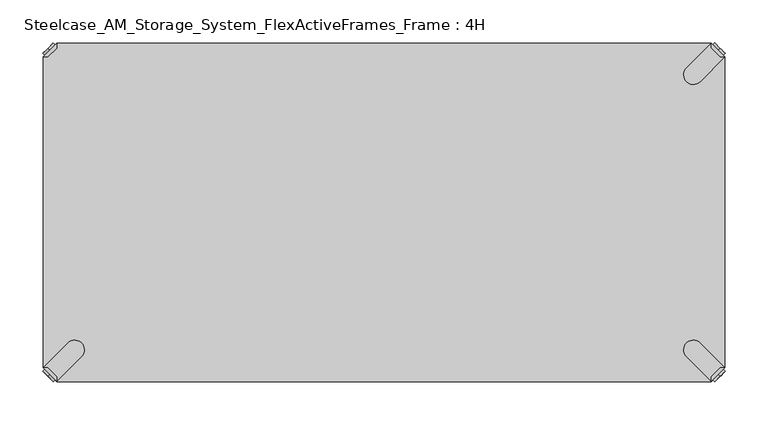
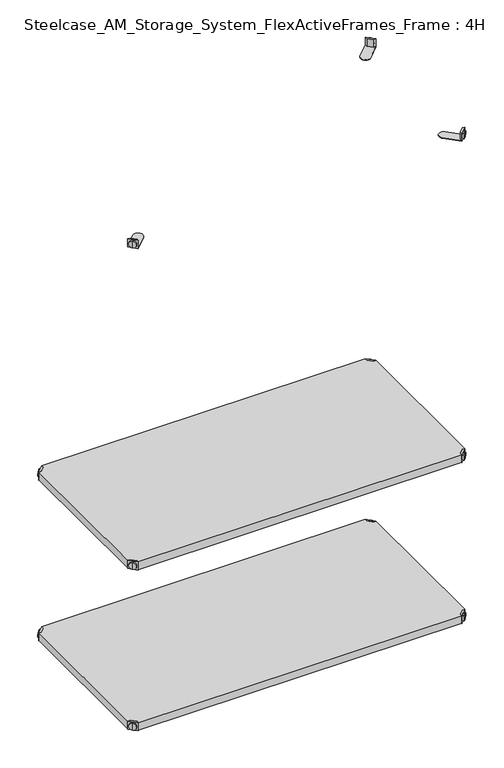
"""IFC4 building model written with IfcOpenShell, lengths in millimetres: furniture geometry, Steelcase_AM_Storage_System_FlexActiveFrames_Frame : 4H."""

from ifc_helpers import new_model, si_unit, frame, origin, place, context, project, spatial, polyline, circle_curve, outline, extrude, source, transform, mapped, element, save
from ifc_brep_helpers import plane_surface, cylinder_surface, advanced_brep


def steelcase_am_storage_system_flexactiveframes_frame_4h_aeea1913(model_context):
    return source(origin(), model_context, "Body", "SolidModel", [
        advanced_brep(
        [(789.0398449, -10.9601551, 498.5), (789.0398449, -10.9601551, 507.0), (789.0398449, -10.9601551, 515.5), (791.1611652, -8.8388348, 498.5), (791.1611652, -8.8388348, 515.5), (791.1611652, -8.8388348, 507.0)],
        [
            (0, 1),
            (1, 2),
            (2, 0, circle_curve(frame((789.0398449, -10.9601551, 507.0), z_axis=(-0.7071067811865556, -0.7071067811865395, 0.0), x_axis=(0.0, 0.0, 1.0)), 8.5)),
            (0, 2, circle_curve(frame((789.0398449, -10.9601551, 507.0), z_axis=(-0.7071067811865556, -0.7071067811865395, 0.0), x_axis=(0.0, 0.0, 1.0)), 8.5)),
            (3, 0),
            (2, 4),
            (4, 3, circle_curve(frame((791.1611652, -8.8388348, 507.0), z_axis=(-0.7071067811865556, -0.7071067811865395, 0.0), x_axis=(0.0, 0.0, 1.0)), 8.5)),
            (3, 4, circle_curve(frame((791.1611652, -8.8388348, 507.0), z_axis=(-0.7071067811865556, -0.7071067811865395, 0.0), x_axis=(0.0, 0.0, 1.0)), 8.5)),
            (5, 3),
            (4, 5),
        ],
        [
            plane_surface(frame((789.0398449, -10.9601551, 507.0), z_axis=(-0.7071067811865552, -0.7071067811865399, 0.0), x_axis=(0.0, 0.0, 1.0))),
            cylinder_surface(frame((791.1611652, -8.8388348, 507.0), z_axis=(0.7071067811865556, 0.7071067811865395, 0.0), x_axis=(0.0, 0.0, 1.0)), 8.5),
            plane_surface(frame((791.1611652, -8.8388348, 507.0), z_axis=(0.7071067811865552, 0.7071067811865399, 0.0), x_axis=(0.0, 0.0, 1.0))),
        ],
        [
            (0, [[1, 2, 3]]),
            (0, [[-2, -1, 4]]),
            (1, [[5, -3, 6, 7]]),
            (1, [[-6, -4, -5, 8]]),
            (2, [[9, -7, 10]]),
            (2, [[-10, -8, -9]]),
        ],
    ),
        advanced_brep(
        [(781.0796898, -3.0, 517.0), (781.0796898, -8.6568542, 517.0), (791.3431458, -18.9203102, 517.0), (797.0, -18.9203102, 517.0), (797.0, -18.9203102, 498.0), (797.0, -18.9203102, 497.0), (781.0796898, -3.0, 497.0), (781.0796898, -3.0, 498.0), (781.0796898, -8.6568542, 498.0), (791.3431458, -18.9203102, 498.0), (752.2702923, -31.8093975, 498.0), (768.1906025, -47.7297077, 498.0), (768.1906025, -47.7297077, 497.0), (752.2702923, -31.8093975, 497.0)],
        [
            (0, 1),
            (1, 2),
            (2, 3),
            (3, 0),
            (3, 4),
            (4, 5),
            (5, 6),
            (6, 7),
            (7, 0),
            (1, 8),
            (8, 9),
            (9, 2),
            (7, 8),
            (9, 4),
            (7, 10),
            (10, 11, circle_curve(frame((760.2304474, -39.7695526, 498.0), z_axis=(0.0, 0.0, 1.0), x_axis=(-1.0, 0.0, 0.0)), 11.2573593)),
            (11, 4),
            (5, 12),
            (12, 13, circle_curve(frame((760.2304474, -39.7695526, 497.0), z_axis=(0.0, 0.0, -1.0), x_axis=(-1.0, 0.0, 0.0)), 11.2573593)),
            (13, 6),
            (11, 12),
            (10, 13),
        ],
        [
            plane_surface(frame((838.8756299, -60.7959401, 517.0), z_axis=(0.0, 0.0, 1.0000000000000002), x_axis=(0.7071067811865465, -0.7071067811865487, 0.0))),
            plane_surface(frame((781.0796898, -3.0, 517.0), z_axis=(0.7071067811865487, 0.7071067811865465, 0.0), x_axis=(0.0, 0.0, -1.0))),
            plane_surface(frame((791.3431458, -18.9203102, 517.0), z_axis=(-0.7071067811865573, -0.7071067811865377, 0.0), x_axis=(0.0, 0.0, -1.0))),
            plane_surface(frame((781.0796898, -8.6568542, 517.0), z_axis=(-1.0, 0.0, 0.0), x_axis=(0.0, 0.0, -1.0))),
            plane_surface(frame((797.0, -18.9203102, 517.0), z_axis=(0.0, -1.0, 0.0), x_axis=(0.0, 0.0, -1.0))),
            plane_surface(frame((797.0, -18.9203102, 498.0), z_axis=(0.0, 0.0, 1.0), x_axis=(0.7071067811865392, -0.7071067811865558, 0.0))),
            plane_surface(frame((797.0, -18.9203102, 497.0), z_axis=(0.0, 0.0, -1.0), x_axis=(-0.7071067811865392, 0.7071067811865558, 0.0))),
            plane_surface(frame((797.0, -18.9203102, 498.0), z_axis=(0.7071067811865399, -0.7071067811865552, 0.0), x_axis=(0.0, 0.0, -1.0))),
            cylinder_surface(frame((760.2304474, -39.7695526, 497.0), z_axis=(0.0, 0.0, 1.0), x_axis=(-1.0, 0.0, 0.0)), 11.2573593),
            plane_surface(frame((752.2702923, -31.8093975, 498.0), z_axis=(-0.7071067811865388, 0.7071067811865563, 0.0), x_axis=(0.0, 0.0, -1.0))),
        ],
        [
            (0, [[1, 2, 3, 4]]),
            (1, [[5, 6, 7, 8, 9, -4]]),
            (2, [[10, 11, 12, -2]]),
            (3, [[-9, 13, -10, -1]]),
            (4, [[-12, 14, -5, -3]]),
            (5, [[-14, -11, -13, 15, 16, 17]]),
            (6, [[-7, 18, 19, 20]]),
            (7, [[21, -18, -6, -17]]),
            (8, [[22, -19, -21, -16]]),
            (9, [[-8, -20, -22, -15]]),
        ],
    ),
        advanced_brep(
        [(789.0398449, -389.0398449, 498.5), (789.0398449, -389.0398449, 515.5), (789.0398449, -389.0398449, 507.0), (791.1611652, -391.1611652, 498.5), (791.1611652, -391.1611652, 515.5), (791.1611652, -391.1611652, 507.0)],
        [
            (0, 1, circle_curve(frame((789.0398449, -389.0398449, 507.0), z_axis=(-0.7071067811865509, 0.7071067811865441, 0.0), x_axis=(0.0, 0.0, 1.0)), 8.5)),
            (1, 2),
            (2, 0),
            (1, 0, circle_curve(frame((789.0398449, -389.0398449, 507.0), z_axis=(-0.7071067811865509, 0.7071067811865441, 0.0), x_axis=(0.0, 0.0, 1.0)), 8.5)),
            (3, 4, circle_curve(frame((791.1611652, -391.1611652, 507.0), z_axis=(-0.7071067811865509, 0.7071067811865441, 0.0), x_axis=(0.0, 0.0, 1.0)), 8.5)),
            (4, 1),
            (0, 3),
            (4, 3, circle_curve(frame((791.1611652, -391.1611652, 507.0), z_axis=(-0.7071067811865509, 0.7071067811865441, 0.0), x_axis=(0.0, 0.0, 1.0)), 8.5)),
            (5, 4),
            (3, 5),
        ],
        [
            plane_surface(frame((789.0398449, -389.0398449, 507.0), z_axis=(-0.7071067811865506, 0.7071067811865446, 0.0), x_axis=(0.0, 0.0, 1.0))),
            cylinder_surface(frame((791.1611652, -391.1611652, 507.0), z_axis=(0.7071067811865509, -0.7071067811865441, 0.0), x_axis=(0.0, 0.0, 1.0)), 8.5),
            plane_surface(frame((791.1611652, -391.1611652, 507.0), z_axis=(0.7071067811865506, -0.7071067811865446, 0.0), x_axis=(0.0, 0.0, 1.0))),
        ],
        [
            (0, [[1, 2, 3]]),
            (0, [[4, -3, -2]]),
            (1, [[5, 6, -1, 7]]),
            (1, [[8, -7, -4, -6]]),
            (2, [[9, -5, 10]]),
            (2, [[-10, -8, -9]]),
        ],
    ),
        advanced_brep(
        [(781.0796898, -397.0, 517.0), (797.0, -381.0796898, 517.0), (791.3431458, -381.0796898, 517.0), (781.0796898, -391.3431458, 517.0), (781.0796898, -397.0, 498.0), (781.0796898, -397.0, 497.0), (797.0, -381.0796898, 497.0), (797.0, -381.0796898, 498.0), (791.3431458, -381.0796898, 498.0), (781.0796898, -391.3431458, 498.0), (768.1906025, -352.2702923, 498.0), (752.2702923, -368.1906025, 498.0), (752.2702923, -368.1906025, 497.0), (768.1906025, -352.2702923, 497.0)],
        [
            (0, 1),
            (1, 2),
            (2, 3),
            (3, 0),
            (0, 4),
            (4, 5),
            (5, 6),
            (6, 7),
            (7, 1),
            (2, 8),
            (8, 9),
            (9, 3),
            (9, 4),
            (7, 8),
            (7, 10),
            (10, 11, circle_curve(frame((760.2304474, -360.2304474, 498.0), z_axis=(0.0, 0.0, 1.0), x_axis=(-1.0, 0.0, 0.0)), 11.2573593)),
            (11, 4),
            (5, 12),
            (12, 13, circle_curve(frame((760.2304474, -360.2304474, 497.0), z_axis=(0.0, 0.0, -1.0), x_axis=(-1.0, 0.0, 0.0)), 11.2573593)),
            (13, 6),
            (13, 10),
            (12, 11),
        ],
        [
            plane_surface(frame((838.8756299, -339.2040599, 517.0), z_axis=(0.0, 0.0, 1.0000000000000002), x_axis=(0.7071067811865511, 0.707106781186544, 0.0))),
            plane_surface(frame((781.0796898, -397.0, 517.0), z_axis=(0.707106781186544, -0.7071067811865511, 0.0), x_axis=(0.0, 0.0, -1.0))),
            plane_surface(frame((791.3431458, -381.0796898, 517.0), z_axis=(-0.7071067811865527, 0.7071067811865424, 0.0), x_axis=(0.0, 0.0, -1.0))),
            plane_surface(frame((781.0796898, -391.3431458, 517.0), z_axis=(-1.0, 0.0, 0.0), x_axis=(0.0, 0.0, -1.0))),
            plane_surface(frame((797.0, -381.0796898, 517.0), z_axis=(0.0, 1.0, 0.0), x_axis=(0.0, 0.0, -1.0))),
            plane_surface(frame((797.0, -381.0796898, 498.0), z_axis=(0.0, 0.0, 1.0), x_axis=(0.7071067811865439, 0.7071067811865511, 0.0))),
            plane_surface(frame((797.0, -381.0796898, 497.0), z_axis=(0.0, 0.0, -1.0), x_axis=(-0.7071067811865439, -0.7071067811865511, 0.0))),
            plane_surface(frame((797.0, -381.0796898, 498.0), z_axis=(0.7071067811865446, 0.7071067811865506, 0.0), x_axis=(0.0, 0.0, -1.0))),
            cylinder_surface(frame((760.2304474, -360.2304474, 497.0), z_axis=(0.0, 0.0, 1.0), x_axis=(-1.0, 0.0, 0.0)), 11.2573593),
            plane_surface(frame((752.2702923, -368.1906025, 498.0), z_axis=(-0.7071067811865435, -0.7071067811865517, 0.0), x_axis=(0.0, 0.0, -1.0))),
        ],
        [
            (0, [[1, 2, 3, 4]]),
            (1, [[-1, 5, 6, 7, 8, 9]]),
            (2, [[-3, 10, 11, 12]]),
            (3, [[-4, -12, 13, -5]]),
            (4, [[-2, -9, 14, -10]]),
            (5, [[15, 16, 17, -13, -11, -14]]),
            (6, [[18, 19, 20, -7]]),
            (7, [[-15, -8, -20, 21]]),
            (8, [[-16, -21, -19, 22]]),
            (9, [[-17, -22, -18, -6]]),
        ],
    ),
        advanced_brep(
        [(10.9601551, -389.0398449, 498.5), (10.9601551, -389.0398449, 507.0), (10.9601551, -389.0398449, 515.5), (8.8388348, -391.1611652, 498.5), (8.8388348, -391.1611652, 515.5), (8.8388348, -391.1611652, 507.0)],
        [
            (0, 1),
            (1, 2),
            (2, 0, circle_curve(frame((10.9601551, -389.0398449, 507.0), z_axis=(0.7071067811865509, 0.7071067811865441, 0.0), x_axis=(0.0, 0.0, 1.0)), 8.5)),
            (0, 2, circle_curve(frame((10.9601551, -389.0398449, 507.0), z_axis=(0.7071067811865509, 0.7071067811865441, 0.0), x_axis=(0.0, 0.0, 1.0)), 8.5)),
            (3, 0),
            (2, 4),
            (4, 3, circle_curve(frame((8.8388348, -391.1611652, 507.0), z_axis=(0.7071067811865509, 0.7071067811865441, 0.0), x_axis=(0.0, 0.0, 1.0)), 8.5)),
            (3, 4, circle_curve(frame((8.8388348, -391.1611652, 507.0), z_axis=(0.7071067811865509, 0.7071067811865441, 0.0), x_axis=(0.0, 0.0, 1.0)), 8.5)),
            (5, 3),
            (4, 5),
        ],
        [
            plane_surface(frame((10.9601551, -389.0398449, 507.0), z_axis=(0.7071067811865506, 0.7071067811865446, 0.0), x_axis=(0.0, 0.0, 1.0))),
            cylinder_surface(frame((8.8388348, -391.1611652, 507.0), z_axis=(-0.7071067811865509, -0.7071067811865441, 0.0), x_axis=(0.0, 0.0, 1.0)), 8.5),
            plane_surface(frame((8.8388348, -391.1611652, 507.0), z_axis=(-0.7071067811865506, -0.7071067811865446, 0.0), x_axis=(0.0, 0.0, 1.0))),
        ],
        [
            (0, [[1, 2, 3]]),
            (0, [[-2, -1, 4]]),
            (1, [[5, -3, 6, 7]]),
            (1, [[-6, -4, -5, 8]]),
            (2, [[9, -7, 10]]),
            (2, [[-10, -8, -9]]),
        ],
    ),
        advanced_brep(
        [(18.9203102, -397.0, 517.0), (18.9203102, -391.3431458, 517.0), (8.6568542, -381.0796898, 517.0), (3.0, -381.0796898, 517.0), (3.0, -381.0796898, 498.0), (3.0, -381.0796898, 497.0), (18.9203102, -397.0, 497.0), (18.9203102, -397.0, 498.0), (18.9203102, -391.3431458, 498.0), (8.6568542, -381.0796898, 498.0), (47.7297077, -368.1906025, 498.0), (31.8093975, -352.2702923, 498.0), (31.8093975, -352.2702923, 497.0), (47.7297077, -368.1906025, 497.0)],
        [
            (0, 1),
            (1, 2),
            (2, 3),
            (3, 0),
            (3, 4),
            (4, 5),
            (5, 6),
            (6, 7),
            (7, 0),
            (1, 8),
            (8, 9),
            (9, 2),
            (7, 8),
            (9, 4),
            (7, 10),
            (10, 11, circle_curve(frame((39.7695526, -360.2304474, 498.0), z_axis=(0.0, 0.0, 1.0), x_axis=(1.0, 0.0, 0.0)), 11.2573593)),
            (11, 4),
            (5, 12),
            (12, 13, circle_curve(frame((39.7695526, -360.2304474, 497.0), z_axis=(0.0, 0.0, -1.0), x_axis=(1.0, 0.0, 0.0)), 11.2573593)),
            (13, 6),
            (11, 12),
            (10, 13),
        ],
        [
            plane_surface(frame((-38.8756299, -339.2040599, 517.0), z_axis=(0.0, 0.0, 1.0000000000000002), x_axis=(-0.7071067811865511, 0.707106781186544, 0.0))),
            plane_surface(frame((18.9203102, -397.0, 517.0), z_axis=(-0.707106781186544, -0.7071067811865511, 0.0), x_axis=(0.0, 0.0, -1.0))),
            plane_surface(frame((8.6568542, -381.0796898, 517.0), z_axis=(0.7071067811865527, 0.7071067811865424, 0.0), x_axis=(0.0, 0.0, -1.0))),
            plane_surface(frame((18.9203102, -391.3431458, 517.0), z_axis=(1.0, 0.0, 0.0), x_axis=(0.0, 0.0, -1.0))),
            plane_surface(frame((3.0, -381.0796898, 517.0), z_axis=(0.0, 1.0, 0.0), x_axis=(0.0, 0.0, -1.0))),
            plane_surface(frame((3.0, -381.0796898, 498.0), z_axis=(0.0, 0.0, 1.0), x_axis=(-0.7071067811865439, 0.7071067811865511, 0.0))),
            plane_surface(frame((3.0, -381.0796898, 497.0), z_axis=(0.0, 0.0, -1.0), x_axis=(0.7071067811865439, -0.7071067811865511, 0.0))),
            plane_surface(frame((3.0, -381.0796898, 498.0), z_axis=(-0.7071067811865446, 0.7071067811865506, 0.0), x_axis=(0.0, 0.0, -1.0))),
            cylinder_surface(frame((39.7695526, -360.2304474, 497.0), z_axis=(0.0, 0.0, 1.0), x_axis=(1.0, 0.0, 0.0)), 11.2573593),
            plane_surface(frame((47.7297077, -368.1906025, 498.0), z_axis=(0.7071067811865435, -0.7071067811865517, 0.0), x_axis=(0.0, 0.0, -1.0))),
        ],
        [
            (0, [[1, 2, 3, 4]]),
            (1, [[5, 6, 7, 8, 9, -4]]),
            (2, [[10, 11, 12, -2]]),
            (3, [[-9, 13, -10, -1]]),
            (4, [[-12, 14, -5, -3]]),
            (5, [[-14, -11, -13, 15, 16, 17]]),
            (6, [[-7, 18, 19, 20]]),
            (7, [[21, -18, -6, -17]]),
            (8, [[22, -19, -21, -16]]),
            (9, [[-8, -20, -22, -15]]),
        ],
    ),
        advanced_brep(
        [(10.9601551, -10.9601551, 498.5), (10.9601551, -10.9601551, 515.5), (10.9601551, -10.9601551, 507.0), (8.8388348, -8.8388348, 498.5), (8.8388348, -8.8388348, 515.5), (8.8388348, -8.8388348, 507.0)],
        [
            (0, 1, circle_curve(frame((10.9601551, -10.9601551, 507.0), z_axis=(0.7071067811865464, -0.7071067811865487, 0.0), x_axis=(0.0, 0.0, 1.0)), 8.5)),
            (1, 2),
            (2, 0),
            (1, 0, circle_curve(frame((10.9601551, -10.9601551, 507.0), z_axis=(0.7071067811865464, -0.7071067811865487, 0.0), x_axis=(0.0, 0.0, 1.0)), 8.5)),
            (3, 4, circle_curve(frame((8.8388348, -8.8388348, 507.0), z_axis=(0.7071067811865464, -0.7071067811865487, 0.0), x_axis=(0.0, 0.0, 1.0)), 8.5)),
            (4, 1),
            (0, 3),
            (4, 3, circle_curve(frame((8.8388348, -8.8388348, 507.0), z_axis=(0.7071067811865464, -0.7071067811865487, 0.0), x_axis=(0.0, 0.0, 1.0)), 8.5)),
            (5, 4),
            (3, 5),
        ],
        [
            plane_surface(frame((10.9601551, -10.9601551, 507.0), z_axis=(0.707106781186546, -0.7071067811865491, 0.0), x_axis=(0.0, 0.0, 1.0))),
            cylinder_surface(frame((8.8388348, -8.8388348, 507.0), z_axis=(-0.7071067811865464, 0.7071067811865487, 0.0), x_axis=(0.0, 0.0, 1.0)), 8.5),
            plane_surface(frame((8.8388348, -8.8388348, 507.0), z_axis=(-0.707106781186546, 0.7071067811865491, 0.0), x_axis=(0.0, 0.0, 1.0))),
        ],
        [
            (0, [[1, 2, 3]]),
            (0, [[4, -3, -2]]),
            (1, [[5, 6, -1, 7]]),
            (1, [[8, -7, -4, -6]]),
            (2, [[9, -5, 10]]),
            (2, [[-10, -8, -9]]),
        ],
    ),
        advanced_brep(
        [(18.9203102, -3.0, 517.0), (3.0, -18.9203102, 517.0), (8.6568542, -18.9203102, 517.0), (18.9203102, -8.6568542, 517.0), (18.9203102, -3.0, 498.0), (18.9203102, -3.0, 497.0), (3.0, -18.9203102, 497.0), (3.0, -18.9203102, 498.0), (8.6568542, -18.9203102, 498.0), (18.9203102, -8.6568542, 498.0), (31.8093975, -47.7297077, 498.0), (47.7297077, -31.8093975, 498.0), (47.7297077, -31.8093975, 497.0), (31.8093975, -47.7297077, 497.0)],
        [
            (0, 1),
            (1, 2),
            (2, 3),
            (3, 0),
            (0, 4),
            (4, 5),
            (5, 6),
            (6, 7),
            (7, 1),
            (2, 8),
            (8, 9),
            (9, 3),
            (9, 4),
            (7, 8),
            (7, 10),
            (10, 11, circle_curve(frame((39.7695526, -39.7695526, 498.0), z_axis=(0.0, 0.0, 1.0), x_axis=(1.0, 0.0, 0.0)), 11.2573593)),
            (11, 4),
            (5, 12),
            (12, 13, circle_curve(frame((39.7695526, -39.7695526, 497.0), z_axis=(0.0, 0.0, -1.0), x_axis=(1.0, 0.0, 0.0)), 11.2573593)),
            (13, 6),
            (13, 10),
            (12, 11),
        ],
        [
            plane_surface(frame((-38.8756299, -60.7959401, 517.0), z_axis=(0.0, 0.0, 1.0000000000000002), x_axis=(-0.7071067811865557, -0.7071067811865395, 0.0))),
            plane_surface(frame((18.9203102, -3.0, 517.0), z_axis=(-0.7071067811865395, 0.7071067811865557, 0.0), x_axis=(0.0, 0.0, -1.0))),
            plane_surface(frame((8.6568542, -18.9203102, 517.0), z_axis=(0.7071067811865481, -0.7071067811865469, 0.0), x_axis=(0.0, 0.0, -1.0))),
            plane_surface(frame((18.9203102, -8.6568542, 517.0), z_axis=(1.0, 0.0, 0.0), x_axis=(0.0, 0.0, -1.0))),
            plane_surface(frame((3.0, -18.9203102, 517.0), z_axis=(0.0, -1.0, 0.0), x_axis=(0.0, 0.0, -1.0))),
            plane_surface(frame((3.0, -18.9203102, 498.0), z_axis=(0.0, 0.0, 1.0), x_axis=(-0.7071067811865485, -0.7071067811865466, 0.0))),
            plane_surface(frame((3.0, -18.9203102, 497.0), z_axis=(0.0, 0.0, -1.0), x_axis=(0.7071067811865485, 0.7071067811865466, 0.0))),
            plane_surface(frame((3.0, -18.9203102, 498.0), z_axis=(-0.7071067811865491, -0.707106781186546, 0.0), x_axis=(0.0, 0.0, -1.0))),
            cylinder_surface(frame((39.7695526, -39.7695526, 497.0), z_axis=(0.0, 0.0, 1.0), x_axis=(1.0, 0.0, 0.0)), 11.2573593),
            plane_surface(frame((47.7297077, -31.8093975, 498.0), z_axis=(0.707106781186548, 0.7071067811865471, 0.0), x_axis=(0.0, 0.0, -1.0))),
        ],
        [
            (0, [[1, 2, 3, 4]]),
            (1, [[-1, 5, 6, 7, 8, 9]]),
            (2, [[-3, 10, 11, 12]]),
            (3, [[-4, -12, 13, -5]]),
            (4, [[-2, -9, 14, -10]]),
            (5, [[15, 16, 17, -13, -11, -14]]),
            (6, [[18, 19, 20, -7]]),
            (7, [[-15, -8, -20, 21]]),
            (8, [[-16, -21, -19, 22]]),
            (9, [[-17, -22, -18, -6]]),
        ],
    ),
        extrude(outline(polyline([(781.0796898, -3.0), (781.0796898, -8.6568542), (791.3431458, -18.9203102), (797.0, -18.9203102), (797.0, -381.0796898), (791.3431458, -381.0796898), (781.0796898, -391.3431458), (781.0796898, -397.0), (18.9203102, -397.0), (18.9203102, -391.3431458), (8.6568542, -381.0796898), (3.0, -381.0796898), (3.0, -18.9203102), (8.6568542, -18.9203102), (18.9203102, -8.6568542), (18.9203102, -3.0), (781.0796898, -3.0)])), frame((0.0, 0.0, 498.0), z_axis=(0.0, 0.0, 1.0), x_axis=(1.0, 0.0, 0.0)), (0.0, 0.0, 1.0), 19.0),
        advanced_brep(
        [(789.0398449, -10.9601551, 898.5), (789.0398449, -10.9601551, 907.0), (789.0398449, -10.9601551, 915.5), (791.1611652, -8.8388348, 898.5), (791.1611652, -8.8388348, 915.5), (791.1611652, -8.8388348, 907.0)],
        [
            (0, 1),
            (1, 2),
            (2, 0, circle_curve(frame((789.0398449, -10.9601551, 907.0), z_axis=(-0.7071067811865556, -0.7071067811865395, 0.0), x_axis=(0.0, 0.0, 1.0)), 8.5)),
            (0, 2, circle_curve(frame((789.0398449, -10.9601551, 907.0), z_axis=(-0.7071067811865556, -0.7071067811865395, 0.0), x_axis=(0.0, 0.0, 1.0)), 8.5)),
            (3, 0),
            (2, 4),
            (4, 3, circle_curve(frame((791.1611652, -8.8388348, 907.0), z_axis=(-0.7071067811865556, -0.7071067811865395, 0.0), x_axis=(0.0, 0.0, 1.0)), 8.5)),
            (3, 4, circle_curve(frame((791.1611652, -8.8388348, 907.0), z_axis=(-0.7071067811865556, -0.7071067811865395, 0.0), x_axis=(0.0, 0.0, 1.0)), 8.5)),
            (5, 3),
            (4, 5),
        ],
        [
            plane_surface(frame((789.0398449, -10.9601551, 907.0), z_axis=(-0.7071067811865552, -0.7071067811865399, 0.0), x_axis=(0.0, 0.0, 1.0))),
            cylinder_surface(frame((791.1611652, -8.8388348, 907.0), z_axis=(0.7071067811865556, 0.7071067811865395, 0.0), x_axis=(0.0, 0.0, 1.0)), 8.5),
            plane_surface(frame((791.1611652, -8.8388348, 907.0), z_axis=(0.7071067811865552, 0.7071067811865399, 0.0), x_axis=(0.0, 0.0, 1.0))),
        ],
        [
            (0, [[1, 2, 3]]),
            (0, [[-2, -1, 4]]),
            (1, [[5, -3, 6, 7]]),
            (1, [[-6, -4, -5, 8]]),
            (2, [[9, -7, 10]]),
            (2, [[-10, -8, -9]]),
        ],
    ),
        advanced_brep(
        [(781.0796898, -3.0, 917.0), (781.0796898, -8.6568542, 917.0), (791.3431458, -18.9203102, 917.0), (797.0, -18.9203102, 917.0), (797.0, -18.9203102, 898.0), (797.0, -18.9203102, 897.0), (781.0796898, -3.0, 897.0), (781.0796898, -3.0, 898.0), (781.0796898, -8.6568542, 898.0), (791.3431458, -18.9203102, 898.0), (752.2702923, -31.8093975, 898.0), (768.1906025, -47.7297077, 898.0), (768.1906025, -47.7297077, 897.0), (752.2702923, -31.8093975, 897.0)],
        [
            (0, 1),
            (1, 2),
            (2, 3),
            (3, 0),
            (3, 4),
            (4, 5),
            (5, 6),
            (6, 7),
            (7, 0),
            (1, 8),
            (8, 9),
            (9, 2),
            (7, 8),
            (9, 4),
            (7, 10),
            (10, 11, circle_curve(frame((760.2304474, -39.7695526, 898.0), z_axis=(0.0, 0.0, 1.0), x_axis=(-1.0, 0.0, 0.0)), 11.2573593)),
            (11, 4),
            (5, 12),
            (12, 13, circle_curve(frame((760.2304474, -39.7695526, 897.0), z_axis=(0.0, 0.0, -1.0), x_axis=(-1.0, 0.0, 0.0)), 11.2573593)),
            (13, 6),
            (11, 12),
            (10, 13),
        ],
        [
            plane_surface(frame((838.8756299, -60.7959401, 917.0), z_axis=(0.0, 0.0, 1.0000000000000002), x_axis=(0.7071067811865465, -0.7071067811865487, 0.0))),
            plane_surface(frame((781.0796898, -3.0, 917.0), z_axis=(0.7071067811865487, 0.7071067811865465, 0.0), x_axis=(0.0, 0.0, -1.0))),
            plane_surface(frame((791.3431458, -18.9203102, 917.0), z_axis=(-0.7071067811865573, -0.7071067811865377, 0.0), x_axis=(0.0, 0.0, -1.0))),
            plane_surface(frame((781.0796898, -8.6568542, 917.0), z_axis=(-1.0, 0.0, 0.0), x_axis=(0.0, 0.0, -1.0))),
            plane_surface(frame((797.0, -18.9203102, 917.0), z_axis=(0.0, -1.0, 0.0), x_axis=(0.0, 0.0, -1.0))),
            plane_surface(frame((797.0, -18.9203102, 898.0), z_axis=(0.0, 0.0, 1.0), x_axis=(0.7071067811865392, -0.7071067811865558, 0.0))),
            plane_surface(frame((797.0, -18.9203102, 897.0), z_axis=(0.0, 0.0, -1.0), x_axis=(-0.7071067811865392, 0.7071067811865558, 0.0))),
            plane_surface(frame((797.0, -18.9203102, 898.0), z_axis=(0.7071067811865399, -0.7071067811865552, 0.0), x_axis=(0.0, 0.0, -1.0))),
            cylinder_surface(frame((760.2304474, -39.7695526, 897.0), z_axis=(0.0, 0.0, 1.0), x_axis=(-1.0, 0.0, 0.0)), 11.2573593),
            plane_surface(frame((752.2702923, -31.8093975, 898.0), z_axis=(-0.7071067811865388, 0.7071067811865563, 0.0), x_axis=(0.0, 0.0, -1.0))),
        ],
        [
            (0, [[1, 2, 3, 4]]),
            (1, [[5, 6, 7, 8, 9, -4]]),
            (2, [[10, 11, 12, -2]]),
            (3, [[-9, 13, -10, -1]]),
            (4, [[-12, 14, -5, -3]]),
            (5, [[-14, -11, -13, 15, 16, 17]]),
            (6, [[-7, 18, 19, 20]]),
            (7, [[21, -18, -6, -17]]),
            (8, [[22, -19, -21, -16]]),
            (9, [[-8, -20, -22, -15]]),
        ],
    ),
        advanced_brep(
        [(789.0398449, -389.0398449, 898.5), (789.0398449, -389.0398449, 915.5), (789.0398449, -389.0398449, 907.0), (791.1611652, -391.1611652, 898.5), (791.1611652, -391.1611652, 915.5), (791.1611652, -391.1611652, 907.0)],
        [
            (0, 1, circle_curve(frame((789.0398449, -389.0398449, 907.0), z_axis=(-0.7071067811865509, 0.7071067811865441, 0.0), x_axis=(0.0, 0.0, 1.0)), 8.5)),
            (1, 2),
            (2, 0),
            (1, 0, circle_curve(frame((789.0398449, -389.0398449, 907.0), z_axis=(-0.7071067811865509, 0.7071067811865441, 0.0), x_axis=(0.0, 0.0, 1.0)), 8.5)),
            (3, 4, circle_curve(frame((791.1611652, -391.1611652, 907.0), z_axis=(-0.7071067811865509, 0.7071067811865441, 0.0), x_axis=(0.0, 0.0, 1.0)), 8.5)),
            (4, 1),
            (0, 3),
            (4, 3, circle_curve(frame((791.1611652, -391.1611652, 907.0), z_axis=(-0.7071067811865509, 0.7071067811865441, 0.0), x_axis=(0.0, 0.0, 1.0)), 8.5)),
            (5, 4),
            (3, 5),
        ],
        [
            plane_surface(frame((789.0398449, -389.0398449, 907.0), z_axis=(-0.7071067811865506, 0.7071067811865446, 0.0), x_axis=(0.0, 0.0, 1.0))),
            cylinder_surface(frame((791.1611652, -391.1611652, 907.0), z_axis=(0.7071067811865509, -0.7071067811865441, 0.0), x_axis=(0.0, 0.0, 1.0)), 8.5),
            plane_surface(frame((791.1611652, -391.1611652, 907.0), z_axis=(0.7071067811865506, -0.7071067811865446, 0.0), x_axis=(0.0, 0.0, 1.0))),
        ],
        [
            (0, [[1, 2, 3]]),
            (0, [[4, -3, -2]]),
            (1, [[5, 6, -1, 7]]),
            (1, [[8, -7, -4, -6]]),
            (2, [[9, -5, 10]]),
            (2, [[-10, -8, -9]]),
        ],
    ),
        advanced_brep(
        [(781.0796898, -397.0, 917.0), (797.0, -381.0796898, 917.0), (791.3431458, -381.0796898, 917.0), (781.0796898, -391.3431458, 917.0), (781.0796898, -397.0, 898.0), (781.0796898, -397.0, 897.0), (797.0, -381.0796898, 897.0), (797.0, -381.0796898, 898.0), (791.3431458, -381.0796898, 898.0), (781.0796898, -391.3431458, 898.0), (768.1906025, -352.2702923, 898.0), (752.2702923, -368.1906025, 898.0), (752.2702923, -368.1906025, 897.0), (768.1906025, -352.2702923, 897.0)],
        [
            (0, 1),
            (1, 2),
            (2, 3),
            (3, 0),
            (0, 4),
            (4, 5),
            (5, 6),
            (6, 7),
            (7, 1),
            (2, 8),
            (8, 9),
            (9, 3),
            (9, 4),
            (7, 8),
            (7, 10),
            (10, 11, circle_curve(frame((760.2304474, -360.2304474, 898.0), z_axis=(0.0, 0.0, 1.0), x_axis=(-1.0, 0.0, 0.0)), 11.2573593)),
            (11, 4),
            (5, 12),
            (12, 13, circle_curve(frame((760.2304474, -360.2304474, 897.0), z_axis=(0.0, 0.0, -1.0), x_axis=(-1.0, 0.0, 0.0)), 11.2573593)),
            (13, 6),
            (13, 10),
            (12, 11),
        ],
        [
            plane_surface(frame((838.8756299, -339.2040599, 917.0), z_axis=(0.0, 0.0, 1.0000000000000002), x_axis=(0.7071067811865511, 0.707106781186544, 0.0))),
            plane_surface(frame((781.0796898, -397.0, 917.0), z_axis=(0.707106781186544, -0.7071067811865511, 0.0), x_axis=(0.0, 0.0, -1.0))),
            plane_surface(frame((791.3431458, -381.0796898, 917.0), z_axis=(-0.7071067811865527, 0.7071067811865424, 0.0), x_axis=(0.0, 0.0, -1.0))),
            plane_surface(frame((781.0796898, -391.3431458, 917.0), z_axis=(-1.0, 0.0, 0.0), x_axis=(0.0, 0.0, -1.0))),
            plane_surface(frame((797.0, -381.0796898, 917.0), z_axis=(0.0, 1.0, 0.0), x_axis=(0.0, 0.0, -1.0))),
            plane_surface(frame((797.0, -381.0796898, 898.0), z_axis=(0.0, 0.0, 1.0), x_axis=(0.7071067811865439, 0.7071067811865511, 0.0))),
            plane_surface(frame((797.0, -381.0796898, 897.0), z_axis=(0.0, 0.0, -1.0), x_axis=(-0.7071067811865439, -0.7071067811865511, 0.0))),
            plane_surface(frame((797.0, -381.0796898, 898.0), z_axis=(0.7071067811865446, 0.7071067811865506, 0.0), x_axis=(0.0, 0.0, -1.0))),
            cylinder_surface(frame((760.2304474, -360.2304474, 897.0), z_axis=(0.0, 0.0, 1.0), x_axis=(-1.0, 0.0, 0.0)), 11.2573593),
            plane_surface(frame((752.2702923, -368.1906025, 898.0), z_axis=(-0.7071067811865435, -0.7071067811865517, 0.0), x_axis=(0.0, 0.0, -1.0))),
        ],
        [
            (0, [[1, 2, 3, 4]]),
            (1, [[-1, 5, 6, 7, 8, 9]]),
            (2, [[-3, 10, 11, 12]]),
            (3, [[-4, -12, 13, -5]]),
            (4, [[-2, -9, 14, -10]]),
            (5, [[15, 16, 17, -13, -11, -14]]),
            (6, [[18, 19, 20, -7]]),
            (7, [[-15, -8, -20, 21]]),
            (8, [[-16, -21, -19, 22]]),
            (9, [[-17, -22, -18, -6]]),
        ],
    ),
        advanced_brep(
        [(10.9601551, -389.0398449, 898.5), (10.9601551, -389.0398449, 907.0), (10.9601551, -389.0398449, 915.5), (8.8388348, -391.1611652, 898.5), (8.8388348, -391.1611652, 915.5), (8.8388348, -391.1611652, 907.0)],
        [
            (0, 1),
            (1, 2),
            (2, 0, circle_curve(frame((10.9601551, -389.0398449, 907.0), z_axis=(0.7071067811865509, 0.7071067811865441, 0.0), x_axis=(0.0, 0.0, 1.0)), 8.5)),
            (0, 2, circle_curve(frame((10.9601551, -389.0398449, 907.0), z_axis=(0.7071067811865509, 0.7071067811865441, 0.0), x_axis=(0.0, 0.0, 1.0)), 8.5)),
            (3, 0),
            (2, 4),
            (4, 3, circle_curve(frame((8.8388348, -391.1611652, 907.0), z_axis=(0.7071067811865509, 0.7071067811865441, 0.0), x_axis=(0.0, 0.0, 1.0)), 8.5)),
            (3, 4, circle_curve(frame((8.8388348, -391.1611652, 907.0), z_axis=(0.7071067811865509, 0.7071067811865441, 0.0), x_axis=(0.0, 0.0, 1.0)), 8.5)),
            (5, 3),
            (4, 5),
        ],
        [
            plane_surface(frame((10.9601551, -389.0398449, 907.0), z_axis=(0.7071067811865506, 0.7071067811865446, 0.0), x_axis=(0.0, 0.0, 1.0))),
            cylinder_surface(frame((8.8388348, -391.1611652, 907.0), z_axis=(-0.7071067811865509, -0.7071067811865441, 0.0), x_axis=(0.0, 0.0, 1.0)), 8.5),
            plane_surface(frame((8.8388348, -391.1611652, 907.0), z_axis=(-0.7071067811865506, -0.7071067811865446, 0.0), x_axis=(0.0, 0.0, 1.0))),
        ],
        [
            (0, [[1, 2, 3]]),
            (0, [[-2, -1, 4]]),
            (1, [[5, -3, 6, 7]]),
            (1, [[-6, -4, -5, 8]]),
            (2, [[9, -7, 10]]),
            (2, [[-10, -8, -9]]),
        ],
    ),
        advanced_brep(
        [(18.9203102, -397.0, 917.0), (18.9203102, -391.3431458, 917.0), (8.6568542, -381.0796898, 917.0), (3.0, -381.0796898, 917.0), (3.0, -381.0796898, 898.0), (3.0, -381.0796898, 897.0), (18.9203102, -397.0, 897.0), (18.9203102, -397.0, 898.0), (18.9203102, -391.3431458, 898.0), (8.6568542, -381.0796898, 898.0), (47.7297077, -368.1906025, 898.0), (31.8093975, -352.2702923, 898.0), (31.8093975, -352.2702923, 897.0), (47.7297077, -368.1906025, 897.0)],
        [
            (0, 1),
            (1, 2),
            (2, 3),
            (3, 0),
            (3, 4),
            (4, 5),
            (5, 6),
            (6, 7),
            (7, 0),
            (1, 8),
            (8, 9),
            (9, 2),
            (7, 8),
            (9, 4),
            (7, 10),
            (10, 11, circle_curve(frame((39.7695526, -360.2304474, 898.0), z_axis=(0.0, 0.0, 1.0), x_axis=(1.0, 0.0, 0.0)), 11.2573593)),
            (11, 4),
            (5, 12),
            (12, 13, circle_curve(frame((39.7695526, -360.2304474, 897.0), z_axis=(0.0, 0.0, -1.0), x_axis=(1.0, 0.0, 0.0)), 11.2573593)),
            (13, 6),
            (11, 12),
            (10, 13),
        ],
        [
            plane_surface(frame((-38.8756299, -339.2040599, 917.0), z_axis=(0.0, 0.0, 1.0000000000000002), x_axis=(-0.7071067811865511, 0.707106781186544, 0.0))),
            plane_surface(frame((18.9203102, -397.0, 917.0), z_axis=(-0.707106781186544, -0.7071067811865511, 0.0), x_axis=(0.0, 0.0, -1.0))),
            plane_surface(frame((8.6568542, -381.0796898, 917.0), z_axis=(0.7071067811865527, 0.7071067811865424, 0.0), x_axis=(0.0, 0.0, -1.0))),
            plane_surface(frame((18.9203102, -391.3431458, 917.0), z_axis=(1.0, 0.0, 0.0), x_axis=(0.0, 0.0, -1.0))),
            plane_surface(frame((3.0, -381.0796898, 917.0), z_axis=(0.0, 1.0, 0.0), x_axis=(0.0, 0.0, -1.0))),
            plane_surface(frame((3.0, -381.0796898, 898.0), z_axis=(0.0, 0.0, 1.0), x_axis=(-0.7071067811865439, 0.7071067811865511, 0.0))),
            plane_surface(frame((3.0, -381.0796898, 897.0), z_axis=(0.0, 0.0, -1.0), x_axis=(0.7071067811865439, -0.7071067811865511, 0.0))),
            plane_surface(frame((3.0, -381.0796898, 898.0), z_axis=(-0.7071067811865446, 0.7071067811865506, 0.0), x_axis=(0.0, 0.0, -1.0))),
            cylinder_surface(frame((39.7695526, -360.2304474, 897.0), z_axis=(0.0, 0.0, 1.0), x_axis=(1.0, 0.0, 0.0)), 11.2573593),
            plane_surface(frame((47.7297077, -368.1906025, 898.0), z_axis=(0.7071067811865435, -0.7071067811865517, 0.0), x_axis=(0.0, 0.0, -1.0))),
        ],
        [
            (0, [[1, 2, 3, 4]]),
            (1, [[5, 6, 7, 8, 9, -4]]),
            (2, [[10, 11, 12, -2]]),
            (3, [[-9, 13, -10, -1]]),
            (4, [[-12, 14, -5, -3]]),
            (5, [[-14, -11, -13, 15, 16, 17]]),
            (6, [[-7, 18, 19, 20]]),
            (7, [[21, -18, -6, -17]]),
            (8, [[22, -19, -21, -16]]),
            (9, [[-8, -20, -22, -15]]),
        ],
    ),
        advanced_brep(
        [(10.9601551, -10.9601551, 898.5), (10.9601551, -10.9601551, 915.5), (10.9601551, -10.9601551, 907.0), (8.8388348, -8.8388348, 898.5), (8.8388348, -8.8388348, 915.5), (8.8388348, -8.8388348, 907.0)],
        [
            (0, 1, circle_curve(frame((10.9601551, -10.9601551, 907.0), z_axis=(0.7071067811865464, -0.7071067811865487, 0.0), x_axis=(0.0, 0.0, 1.0)), 8.5)),
            (1, 2),
            (2, 0),
            (1, 0, circle_curve(frame((10.9601551, -10.9601551, 907.0), z_axis=(0.7071067811865464, -0.7071067811865487, 0.0), x_axis=(0.0, 0.0, 1.0)), 8.5)),
            (3, 4, circle_curve(frame((8.8388348, -8.8388348, 907.0), z_axis=(0.7071067811865464, -0.7071067811865487, 0.0), x_axis=(0.0, 0.0, 1.0)), 8.5)),
            (4, 1),
            (0, 3),
            (4, 3, circle_curve(frame((8.8388348, -8.8388348, 907.0), z_axis=(0.7071067811865464, -0.7071067811865487, 0.0), x_axis=(0.0, 0.0, 1.0)), 8.5)),
            (5, 4),
            (3, 5),
        ],
        [
            plane_surface(frame((10.9601551, -10.9601551, 907.0), z_axis=(0.707106781186546, -0.7071067811865491, 0.0), x_axis=(0.0, 0.0, 1.0))),
            cylinder_surface(frame((8.8388348, -8.8388348, 907.0), z_axis=(-0.7071067811865464, 0.7071067811865487, 0.0), x_axis=(0.0, 0.0, 1.0)), 8.5),
            plane_surface(frame((8.8388348, -8.8388348, 907.0), z_axis=(-0.707106781186546, 0.7071067811865491, 0.0), x_axis=(0.0, 0.0, 1.0))),
        ],
        [
            (0, [[1, 2, 3]]),
            (0, [[4, -3, -2]]),
            (1, [[5, 6, -1, 7]]),
            (1, [[8, -7, -4, -6]]),
            (2, [[9, -5, 10]]),
            (2, [[-10, -8, -9]]),
        ],
    ),
        advanced_brep(
        [(18.9203102, -3.0, 917.0), (3.0, -18.9203102, 917.0), (8.6568542, -18.9203102, 917.0), (18.9203102, -8.6568542, 917.0), (18.9203102, -3.0, 898.0), (18.9203102, -3.0, 897.0), (3.0, -18.9203102, 897.0), (3.0, -18.9203102, 898.0), (8.6568542, -18.9203102, 898.0), (18.9203102, -8.6568542, 898.0), (31.8093975, -47.7297077, 898.0), (47.7297077, -31.8093975, 898.0), (47.7297077, -31.8093975, 897.0), (31.8093975, -47.7297077, 897.0)],
        [
            (0, 1),
            (1, 2),
            (2, 3),
            (3, 0),
            (0, 4),
            (4, 5),
            (5, 6),
            (6, 7),
            (7, 1),
            (2, 8),
            (8, 9),
            (9, 3),
            (9, 4),
            (7, 8),
            (7, 10),
            (10, 11, circle_curve(frame((39.7695526, -39.7695526, 898.0), z_axis=(0.0, 0.0, 1.0), x_axis=(1.0, 0.0, 0.0)), 11.2573593)),
            (11, 4),
            (5, 12),
            (12, 13, circle_curve(frame((39.7695526, -39.7695526, 897.0), z_axis=(0.0, 0.0, -1.0), x_axis=(1.0, 0.0, 0.0)), 11.2573593)),
            (13, 6),
            (13, 10),
            (12, 11),
        ],
        [
            plane_surface(frame((-38.8756299, -60.7959401, 917.0), z_axis=(0.0, 0.0, 1.0000000000000002), x_axis=(-0.7071067811865557, -0.7071067811865395, 0.0))),
            plane_surface(frame((18.9203102, -3.0, 917.0), z_axis=(-0.7071067811865395, 0.7071067811865557, 0.0), x_axis=(0.0, 0.0, -1.0))),
            plane_surface(frame((8.6568542, -18.9203102, 917.0), z_axis=(0.7071067811865481, -0.7071067811865469, 0.0), x_axis=(0.0, 0.0, -1.0))),
            plane_surface(frame((18.9203102, -8.6568542, 917.0), z_axis=(1.0, 0.0, 0.0), x_axis=(0.0, 0.0, -1.0))),
            plane_surface(frame((3.0, -18.9203102, 917.0), z_axis=(0.0, -1.0, 0.0), x_axis=(0.0, 0.0, -1.0))),
            plane_surface(frame((3.0, -18.9203102, 898.0), z_axis=(0.0, 0.0, 1.0), x_axis=(-0.7071067811865485, -0.7071067811865466, 0.0))),
            plane_surface(frame((3.0, -18.9203102, 897.0), z_axis=(0.0, 0.0, -1.0), x_axis=(0.7071067811865485, 0.7071067811865466, 0.0))),
            plane_surface(frame((3.0, -18.9203102, 898.0), z_axis=(-0.7071067811865491, -0.707106781186546, 0.0), x_axis=(0.0, 0.0, -1.0))),
            cylinder_surface(frame((39.7695526, -39.7695526, 897.0), z_axis=(0.0, 0.0, 1.0), x_axis=(1.0, 0.0, 0.0)), 11.2573593),
            plane_surface(frame((47.7297077, -31.8093975, 898.0), z_axis=(0.707106781186548, 0.7071067811865471, 0.0), x_axis=(0.0, 0.0, -1.0))),
        ],
        [
            (0, [[1, 2, 3, 4]]),
            (1, [[-1, 5, 6, 7, 8, 9]]),
            (2, [[-3, 10, 11, 12]]),
            (3, [[-4, -12, 13, -5]]),
            (4, [[-2, -9, 14, -10]]),
            (5, [[15, 16, 17, -13, -11, -14]]),
            (6, [[18, 19, 20, -7]]),
            (7, [[-15, -8, -20, 21]]),
            (8, [[-16, -21, -19, 22]]),
            (9, [[-17, -22, -18, -6]]),
        ],
    ),
        extrude(outline(polyline([(781.0796898, -3.0), (781.0796898, -8.6568542), (791.3431458, -18.9203102), (797.0, -18.9203102), (797.0, -381.0796898), (791.3431458, -381.0796898), (781.0796898, -391.3431458), (781.0796898, -397.0), (18.9203102, -397.0), (18.9203102, -391.3431458), (8.6568542, -381.0796898), (3.0, -381.0796898), (3.0, -18.9203102), (8.6568542, -18.9203102), (18.9203102, -8.6568542), (18.9203102, -3.0), (781.0796898, -3.0)])), frame((0.0, 0.0, 898.0), z_axis=(0.0, 0.0, 1.0), x_axis=(1.0, 0.0, 0.0)), (0.0, 0.0, 1.0), 19.0),
        advanced_brep(
        [(789.0398449, -10.9601551, 1698.5), (789.0398449, -10.9601551, 1707.0), (789.0398449, -10.9601551, 1715.5), (791.1611652, -8.8388348, 1698.5), (791.1611652, -8.8388348, 1715.5), (791.1611652, -8.8388348, 1707.0)],
        [
            (0, 1),
            (1, 2),
            (2, 0, circle_curve(frame((789.0398449, -10.9601551, 1707.0), z_axis=(-0.7071067811865556, -0.7071067811865395, 0.0), x_axis=(0.0, 0.0, 1.0)), 8.5)),
            (0, 2, circle_curve(frame((789.0398449, -10.9601551, 1707.0), z_axis=(-0.7071067811865556, -0.7071067811865395, 0.0), x_axis=(0.0, 0.0, 1.0)), 8.5)),
            (3, 0),
            (2, 4),
            (4, 3, circle_curve(frame((791.1611652, -8.8388348, 1707.0), z_axis=(-0.7071067811865556, -0.7071067811865395, 0.0), x_axis=(0.0, 0.0, 1.0)), 8.5)),
            (3, 4, circle_curve(frame((791.1611652, -8.8388348, 1707.0), z_axis=(-0.7071067811865556, -0.7071067811865395, 0.0), x_axis=(0.0, 0.0, 1.0)), 8.5)),
            (5, 3),
            (4, 5),
        ],
        [
            plane_surface(frame((789.0398449, -10.9601551, 1707.0), z_axis=(-0.7071067811865552, -0.7071067811865399, 0.0), x_axis=(0.0, 0.0, 1.0))),
            cylinder_surface(frame((791.1611652, -8.8388348, 1707.0), z_axis=(0.7071067811865556, 0.7071067811865395, 0.0), x_axis=(0.0, 0.0, 1.0)), 8.5),
            plane_surface(frame((791.1611652, -8.8388348, 1707.0), z_axis=(0.7071067811865552, 0.7071067811865399, 0.0), x_axis=(0.0, 0.0, 1.0))),
        ],
        [
            (0, [[1, 2, 3]]),
            (0, [[-2, -1, 4]]),
            (1, [[5, -3, 6, 7]]),
            (1, [[-6, -4, -5, 8]]),
            (2, [[9, -7, 10]]),
            (2, [[-10, -8, -9]]),
        ],
    ),
        advanced_brep(
        [(781.0796898, -3.0, 1717.0), (781.0796898, -8.6568542, 1717.0), (791.3431458, -18.9203102, 1717.0), (797.0, -18.9203102, 1717.0), (797.0, -18.9203102, 1698.0), (797.0, -18.9203102, 1697.0), (781.0796898, -3.0, 1697.0), (781.0796898, -3.0, 1698.0), (781.0796898, -8.6568542, 1698.0), (791.3431458, -18.9203102, 1698.0), (752.2702923, -31.8093975, 1698.0), (768.1906025, -47.7297077, 1698.0), (768.1906025, -47.7297077, 1697.0), (752.2702923, -31.8093975, 1697.0)],
        [
            (0, 1),
            (1, 2),
            (2, 3),
            (3, 0),
            (3, 4),
            (4, 5),
            (5, 6),
            (6, 7),
            (7, 0),
            (1, 8),
            (8, 9),
            (9, 2),
            (7, 8),
            (9, 4),
            (7, 10),
            (10, 11, circle_curve(frame((760.2304474, -39.7695526, 1698.0), z_axis=(0.0, 0.0, 1.0), x_axis=(-1.0, 0.0, 0.0)), 11.2573593)),
            (11, 4),
            (5, 12),
            (12, 13, circle_curve(frame((760.2304474, -39.7695526, 1697.0), z_axis=(0.0, 0.0, -1.0), x_axis=(-1.0, 0.0, 0.0)), 11.2573593)),
            (13, 6),
            (11, 12),
            (10, 13),
        ],
        [
            plane_surface(frame((838.8756299, -60.7959401, 1717.0), z_axis=(0.0, 0.0, 1.0000000000000002), x_axis=(0.7071067811865465, -0.7071067811865487, 0.0))),
            plane_surface(frame((781.0796898, -3.0, 1717.0), z_axis=(0.7071067811865487, 0.7071067811865465, 0.0), x_axis=(0.0, 0.0, -1.0))),
            plane_surface(frame((791.3431458, -18.9203102, 1717.0), z_axis=(-0.7071067811865573, -0.7071067811865377, 0.0), x_axis=(0.0, 0.0, -1.0))),
            plane_surface(frame((781.0796898, -8.6568542, 1717.0), z_axis=(-1.0, 0.0, 0.0), x_axis=(0.0, 0.0, -1.0))),
            plane_surface(frame((797.0, -18.9203102, 1717.0), z_axis=(0.0, -1.0, 0.0), x_axis=(0.0, 0.0, -1.0))),
            plane_surface(frame((797.0, -18.9203102, 1698.0), z_axis=(0.0, 0.0, 1.0), x_axis=(0.7071067811865392, -0.7071067811865558, 0.0))),
            plane_surface(frame((797.0, -18.9203102, 1697.0), z_axis=(0.0, 0.0, -1.0), x_axis=(-0.7071067811865392, 0.7071067811865558, 0.0))),
            plane_surface(frame((797.0, -18.9203102, 1698.0), z_axis=(0.7071067811865399, -0.7071067811865552, 0.0), x_axis=(0.0, 0.0, -1.0))),
            cylinder_surface(frame((760.2304474, -39.7695526, 1697.0), z_axis=(0.0, 0.0, 1.0), x_axis=(-1.0, 0.0, 0.0)), 11.2573593),
            plane_surface(frame((752.2702923, -31.8093975, 1698.0), z_axis=(-0.7071067811865388, 0.7071067811865563, 0.0), x_axis=(0.0, 0.0, -1.0))),
        ],
        [
            (0, [[1, 2, 3, 4]]),
            (1, [[5, 6, 7, 8, 9, -4]]),
            (2, [[10, 11, 12, -2]]),
            (3, [[-9, 13, -10, -1]]),
            (4, [[-12, 14, -5, -3]]),
            (5, [[-14, -11, -13, 15, 16, 17]]),
            (6, [[-7, 18, 19, 20]]),
            (7, [[21, -18, -6, -17]]),
            (8, [[22, -19, -21, -16]]),
            (9, [[-8, -20, -22, -15]]),
        ],
    ),
        advanced_brep(
        [(789.0398449, -389.0398449, 1698.5), (789.0398449, -389.0398449, 1715.5), (789.0398449, -389.0398449, 1707.0), (791.1611652, -391.1611652, 1698.5), (791.1611652, -391.1611652, 1715.5), (791.1611652, -391.1611652, 1707.0)],
        [
            (0, 1, circle_curve(frame((789.0398449, -389.0398449, 1707.0), z_axis=(-0.7071067811865509, 0.7071067811865441, 0.0), x_axis=(0.0, 0.0, 1.0)), 8.5)),
            (1, 2),
            (2, 0),
            (1, 0, circle_curve(frame((789.0398449, -389.0398449, 1707.0), z_axis=(-0.7071067811865509, 0.7071067811865441, 0.0), x_axis=(0.0, 0.0, 1.0)), 8.5)),
            (3, 4, circle_curve(frame((791.1611652, -391.1611652, 1707.0), z_axis=(-0.7071067811865509, 0.7071067811865441, 0.0), x_axis=(0.0, 0.0, 1.0)), 8.5)),
            (4, 1),
            (0, 3),
            (4, 3, circle_curve(frame((791.1611652, -391.1611652, 1707.0), z_axis=(-0.7071067811865509, 0.7071067811865441, 0.0), x_axis=(0.0, 0.0, 1.0)), 8.5)),
            (5, 4),
            (3, 5),
        ],
        [
            plane_surface(frame((789.0398449, -389.0398449, 1707.0), z_axis=(-0.7071067811865506, 0.7071067811865446, 0.0), x_axis=(0.0, 0.0, 1.0))),
            cylinder_surface(frame((791.1611652, -391.1611652, 1707.0), z_axis=(0.7071067811865509, -0.7071067811865441, 0.0), x_axis=(0.0, 0.0, 1.0)), 8.5),
            plane_surface(frame((791.1611652, -391.1611652, 1707.0), z_axis=(0.7071067811865506, -0.7071067811865446, 0.0), x_axis=(0.0, 0.0, 1.0))),
        ],
        [
            (0, [[1, 2, 3]]),
            (0, [[4, -3, -2]]),
            (1, [[5, 6, -1, 7]]),
            (1, [[8, -7, -4, -6]]),
            (2, [[9, -5, 10]]),
            (2, [[-10, -8, -9]]),
        ],
    ),
        advanced_brep(
        [(781.0796898, -397.0, 1717.0), (797.0, -381.0796898, 1717.0), (791.3431458, -381.0796898, 1717.0), (781.0796898, -391.3431458, 1717.0), (781.0796898, -397.0, 1698.0), (781.0796898, -397.0, 1697.0), (797.0, -381.0796898, 1697.0), (797.0, -381.0796898, 1698.0), (791.3431458, -381.0796898, 1698.0), (781.0796898, -391.3431458, 1698.0), (768.1906025, -352.2702923, 1698.0), (752.2702923, -368.1906025, 1698.0), (752.2702923, -368.1906025, 1697.0), (768.1906025, -352.2702923, 1697.0)],
        [
            (0, 1),
            (1, 2),
            (2, 3),
            (3, 0),
            (0, 4),
            (4, 5),
            (5, 6),
            (6, 7),
            (7, 1),
            (2, 8),
            (8, 9),
            (9, 3),
            (9, 4),
            (7, 8),
            (7, 10),
            (10, 11, circle_curve(frame((760.2304474, -360.2304474, 1698.0), z_axis=(0.0, 0.0, 1.0), x_axis=(-1.0, 0.0, 0.0)), 11.2573593)),
            (11, 4),
            (5, 12),
            (12, 13, circle_curve(frame((760.2304474, -360.2304474, 1697.0), z_axis=(0.0, 0.0, -1.0), x_axis=(-1.0, 0.0, 0.0)), 11.2573593)),
            (13, 6),
            (13, 10),
            (12, 11),
        ],
        [
            plane_surface(frame((838.8756299, -339.2040599, 1717.0), z_axis=(0.0, 0.0, 1.0000000000000002), x_axis=(0.7071067811865511, 0.707106781186544, 0.0))),
            plane_surface(frame((781.0796898, -397.0, 1717.0), z_axis=(0.707106781186544, -0.7071067811865511, 0.0), x_axis=(0.0, 0.0, -1.0))),
            plane_surface(frame((791.3431458, -381.0796898, 1717.0), z_axis=(-0.7071067811865527, 0.7071067811865424, 0.0), x_axis=(0.0, 0.0, -1.0))),
            plane_surface(frame((781.0796898, -391.3431458, 1717.0), z_axis=(-1.0, 0.0, 0.0), x_axis=(0.0, 0.0, -1.0))),
            plane_surface(frame((797.0, -381.0796898, 1717.0), z_axis=(0.0, 1.0, 0.0), x_axis=(0.0, 0.0, -1.0))),
            plane_surface(frame((797.0, -381.0796898, 1698.0), z_axis=(0.0, 0.0, 1.0), x_axis=(0.7071067811865439, 0.7071067811865511, 0.0))),
            plane_surface(frame((797.0, -381.0796898, 1697.0), z_axis=(0.0, 0.0, -1.0), x_axis=(-0.7071067811865439, -0.7071067811865511, 0.0))),
            plane_surface(frame((797.0, -381.0796898, 1698.0), z_axis=(0.7071067811865446, 0.7071067811865506, 0.0), x_axis=(0.0, 0.0, -1.0))),
            cylinder_surface(frame((760.2304474, -360.2304474, 1697.0), z_axis=(0.0, 0.0, 1.0), x_axis=(-1.0, 0.0, 0.0)), 11.2573593),
            plane_surface(frame((752.2702923, -368.1906025, 1698.0), z_axis=(-0.7071067811865435, -0.7071067811865517, 0.0), x_axis=(0.0, 0.0, -1.0))),
        ],
        [
            (0, [[1, 2, 3, 4]]),
            (1, [[-1, 5, 6, 7, 8, 9]]),
            (2, [[-3, 10, 11, 12]]),
            (3, [[-4, -12, 13, -5]]),
            (4, [[-2, -9, 14, -10]]),
            (5, [[15, 16, 17, -13, -11, -14]]),
            (6, [[18, 19, 20, -7]]),
            (7, [[-15, -8, -20, 21]]),
            (8, [[-16, -21, -19, 22]]),
            (9, [[-17, -22, -18, -6]]),
        ],
    ),
        advanced_brep(
        [(10.9601551, -389.0398449, 1698.5), (10.9601551, -389.0398449, 1707.0), (10.9601551, -389.0398449, 1715.5), (8.8388348, -391.1611652, 1698.5), (8.8388348, -391.1611652, 1715.5), (8.8388348, -391.1611652, 1707.0)],
        [
            (0, 1),
            (1, 2),
            (2, 0, circle_curve(frame((10.9601551, -389.0398449, 1707.0), z_axis=(0.7071067811865509, 0.7071067811865441, 0.0), x_axis=(0.0, 0.0, 1.0)), 8.5)),
            (0, 2, circle_curve(frame((10.9601551, -389.0398449, 1707.0), z_axis=(0.7071067811865509, 0.7071067811865441, 0.0), x_axis=(0.0, 0.0, 1.0)), 8.5)),
            (3, 0),
            (2, 4),
            (4, 3, circle_curve(frame((8.8388348, -391.1611652, 1707.0), z_axis=(0.7071067811865509, 0.7071067811865441, 0.0), x_axis=(0.0, 0.0, 1.0)), 8.5)),
            (3, 4, circle_curve(frame((8.8388348, -391.1611652, 1707.0), z_axis=(0.7071067811865509, 0.7071067811865441, 0.0), x_axis=(0.0, 0.0, 1.0)), 8.5)),
            (5, 3),
            (4, 5),
        ],
        [
            plane_surface(frame((10.9601551, -389.0398449, 1707.0), z_axis=(0.7071067811865506, 0.7071067811865446, 0.0), x_axis=(0.0, 0.0, 1.0))),
            cylinder_surface(frame((8.8388348, -391.1611652, 1707.0), z_axis=(-0.7071067811865509, -0.7071067811865441, 0.0), x_axis=(0.0, 0.0, 1.0)), 8.5),
            plane_surface(frame((8.8388348, -391.1611652, 1707.0), z_axis=(-0.7071067811865506, -0.7071067811865446, 0.0), x_axis=(0.0, 0.0, 1.0))),
        ],
        [
            (0, [[1, 2, 3]]),
            (0, [[-2, -1, 4]]),
            (1, [[5, -3, 6, 7]]),
            (1, [[-6, -4, -5, 8]]),
            (2, [[9, -7, 10]]),
            (2, [[-10, -8, -9]]),
        ],
    ),
        advanced_brep(
        [(18.9203102, -397.0, 1717.0), (18.9203102, -391.3431458, 1717.0), (8.6568542, -381.0796898, 1717.0), (3.0, -381.0796898, 1717.0), (3.0, -381.0796898, 1698.0), (3.0, -381.0796898, 1697.0), (18.9203102, -397.0, 1697.0), (18.9203102, -397.0, 1698.0), (18.9203102, -391.3431458, 1698.0), (8.6568542, -381.0796898, 1698.0), (47.7297077, -368.1906025, 1698.0), (31.8093975, -352.2702923, 1698.0), (31.8093975, -352.2702923, 1697.0), (47.7297077, -368.1906025, 1697.0)],
        [
            (0, 1),
            (1, 2),
            (2, 3),
            (3, 0),
            (3, 4),
            (4, 5),
            (5, 6),
            (6, 7),
            (7, 0),
            (1, 8),
            (8, 9),
            (9, 2),
            (7, 8),
            (9, 4),
            (7, 10),
            (10, 11, circle_curve(frame((39.7695526, -360.2304474, 1698.0), z_axis=(0.0, 0.0, 1.0), x_axis=(1.0, 0.0, 0.0)), 11.2573593)),
            (11, 4),
            (5, 12),
            (12, 13, circle_curve(frame((39.7695526, -360.2304474, 1697.0), z_axis=(0.0, 0.0, -1.0), x_axis=(1.0, 0.0, 0.0)), 11.2573593)),
            (13, 6),
            (11, 12),
            (10, 13),
        ],
        [
            plane_surface(frame((-38.8756299, -339.2040599, 1717.0), z_axis=(0.0, 0.0, 1.0000000000000002), x_axis=(-0.7071067811865511, 0.707106781186544, 0.0))),
            plane_surface(frame((18.9203102, -397.0, 1717.0), z_axis=(-0.707106781186544, -0.7071067811865511, 0.0), x_axis=(0.0, 0.0, -1.0))),
            plane_surface(frame((8.6568542, -381.0796898, 1717.0), z_axis=(0.7071067811865527, 0.7071067811865424, 0.0), x_axis=(0.0, 0.0, -1.0))),
            plane_surface(frame((18.9203102, -391.3431458, 1717.0), z_axis=(1.0, 0.0, 0.0), x_axis=(0.0, 0.0, -1.0))),
            plane_surface(frame((3.0, -381.0796898, 1717.0), z_axis=(0.0, 1.0, 0.0), x_axis=(0.0, 0.0, -1.0))),
            plane_surface(frame((3.0, -381.0796898, 1698.0), z_axis=(0.0, 0.0, 1.0), x_axis=(-0.7071067811865439, 0.7071067811865511, 0.0))),
            plane_surface(frame((3.0, -381.0796898, 1697.0), z_axis=(0.0, 0.0, -1.0), x_axis=(0.7071067811865439, -0.7071067811865511, 0.0))),
            plane_surface(frame((3.0, -381.0796898, 1698.0), z_axis=(-0.7071067811865446, 0.7071067811865506, 0.0), x_axis=(0.0, 0.0, -1.0))),
            cylinder_surface(frame((39.7695526, -360.2304474, 1697.0), z_axis=(0.0, 0.0, 1.0), x_axis=(1.0, 0.0, 0.0)), 11.2573593),
            plane_surface(frame((47.7297077, -368.1906025, 1698.0), z_axis=(0.7071067811865435, -0.7071067811865517, 0.0), x_axis=(0.0, 0.0, -1.0))),
        ],
        [
            (0, [[1, 2, 3, 4]]),
            (1, [[5, 6, 7, 8, 9, -4]]),
            (2, [[10, 11, 12, -2]]),
            (3, [[-9, 13, -10, -1]]),
            (4, [[-12, 14, -5, -3]]),
            (5, [[-14, -11, -13, 15, 16, 17]]),
            (6, [[-7, 18, 19, 20]]),
            (7, [[21, -18, -6, -17]]),
            (8, [[22, -19, -21, -16]]),
            (9, [[-8, -20, -22, -15]]),
        ],
    ),
    ])


if __name__ == "__main__":
    model = new_model("IFC4")
    model_context = context("Model", 3, world=origin())
    ifc_project = project(units=[si_unit("LENGTHUNIT", "METRE", prefix="MILLI")], contexts=[model_context])
    site = spatial("IfcSite", under=ifc_project)
    building = spatial("IfcBuilding", under=site)
    placement = place(None, origin())
    steelcase_am_storage_system_flexactiveframes_frame_4h_shape = steelcase_am_storage_system_flexactiveframes_frame_4h_aeea1913(model_context)
    element("IfcFurniture", 1, ObjectType="Steelcase_AM_Storage_System_FlexActiveFrames_Frame : 4H", at=placement, inside=building, context=model_context, shape_type="MappedRepresentation", body=[
        mapped(steelcase_am_storage_system_flexactiveframes_frame_4h_shape, transform((0.0, 0.0, 0.0), x_axis=(1.0, 0.0, 0.0), y_axis=(0.0, 1.0, 0.0), z_axis=(0.0, 0.0, 1.0))),
    ])
    save(model, "model.ifc")
